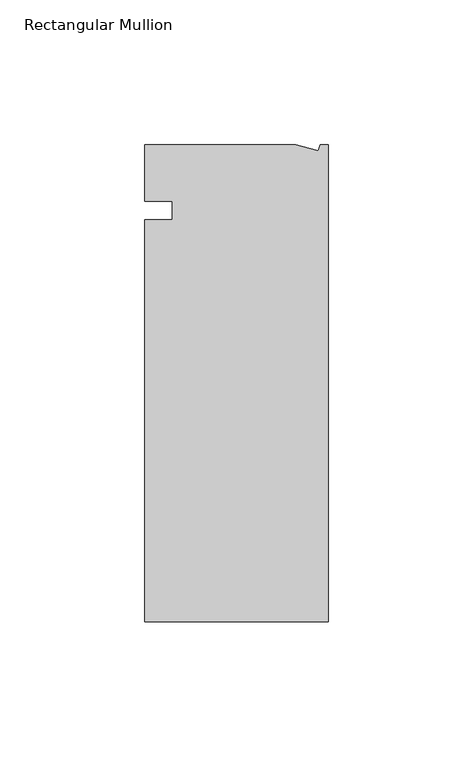
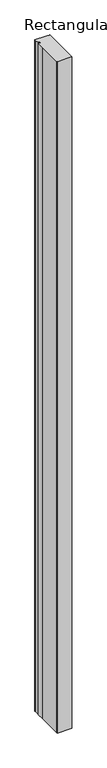
"""IFC4 building model written with IfcOpenShell, lengths in millimetres: member geometry, Rectangular Mullion."""

from ifc_helpers import new_model, si_unit, frame, origin, place, context, project, spatial, polyline, outline, extrude, source, transform, mapped, element, save


def rectangular_mullion_da5a6516(model_context):
    return source(origin(), model_context, "Body", "SweptSolid", [
        extrude(outline(polyline([(-11.1265412, 19.6597595), (-3.3457217, 17.5748952), (-2.787084, 19.6597595), (0.0, 19.6597595), (0.0, -145.4402405), (-63.5, -145.4402405), (-63.5, -139.091245), (-63.5, -38.3358837), (-63.5, -6.35), (-53.975, -6.35), (-53.975, 0.0), (-63.5, 0.0), (-63.5, 13.6200033), (-63.5, 19.6597595), (-11.1265412, 19.6597595)])), frame((0.0, 0.0, -3048.0), z_axis=(0.0, 0.0, 1.0), x_axis=(1.0, 0.0, 0.0)), (0.0, 0.0, 1.0), 3048.0),
    ])


if __name__ == "__main__":
    model = new_model("IFC4")
    model_context = context("Model", 3, world=origin())
    ifc_project = project(units=[si_unit("LENGTHUNIT", "METRE", prefix="MILLI")], contexts=[model_context])
    site = spatial("IfcSite", under=ifc_project)
    building = spatial("IfcBuilding", under=site)
    placement = place(None, origin())
    rectangular_mullion_shape = rectangular_mullion_da5a6516(model_context)
    element("IfcMember", 1, ObjectType="Rectangular Mullion", at=placement, inside=building, context=model_context, shape_type="MappedRepresentation", body=[
        mapped(rectangular_mullion_shape, transform((0.0, 0.0, 0.0), x_axis=(1.0, 0.0, 0.0), y_axis=(0.0, 1.0, 0.0), z_axis=(0.0, 0.0, 1.0))),
    ])
    save(model, "model.ifc")
